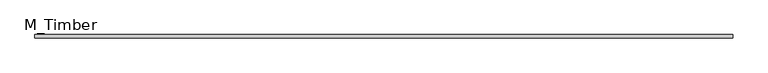
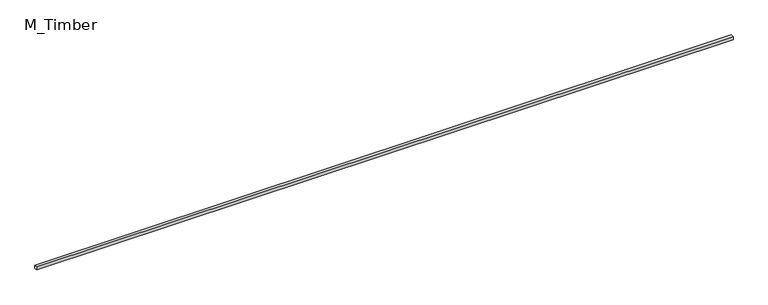
"""IFC4 building model written with IfcOpenShell, lengths in millimetres: beam geometry, M_Timber."""

import ifcopenshell
import ifcopenshell.guid

model = None  # the IFC model being written
_history = None  # IfcOwnerHistory: only IFC2X3 demands one
_inside = {}  # id of a spatial element -> (the spatial element, [elements in it])
_under = {}  # id of a project, library or spatial element -> (it, [spatial elements below it])
_declared = {}  # id of a project -> (the project, [libraries it declares])
_typed = {}  # id of a type object -> (the type object, [elements of that type])
_made_of = {}  # id of a material, layer set ... -> (it, [elements and type objects made of it])


def new_model(schema):
    """Start an empty IFC model of exactly this schema.

    Asked for "IFC4X3", IfcOpenShell would pick the latest addendum, in which some entities
    have other attributes; the version numbers below select the first issue.
    IFC2X3 requires an IfcOwnerHistory on every rooted entity: one is made here for all.
    """
    global model, _history
    if schema == "IFC4X3":
        model = ifcopenshell.file(schema_version=(4, 3, 0, 0))
    else:
        model = ifcopenshell.file(schema=schema)
    _inside.clear()
    _under.clear()
    _declared.clear()
    _typed.clear()
    _made_of.clear()
    _history = None
    if model.schema == "IFC2X3":
        org = make("IfcOrganization", Name="unknown")
        user = make(
            "IfcPersonAndOrganization",
            ThePerson=make("IfcPerson", FamilyName="unknown"),
            TheOrganization=org,
        )
        app = make(
            "IfcApplication",
            ApplicationDeveloper=org,
            Version="unknown",
            ApplicationFullName="unknown",
            ApplicationIdentifier="unknown",
        )
        _history = make(
            "IfcOwnerHistory",
            OwningUser=user,
            OwningApplication=app,
            ChangeAction="ADDED",
            CreationDate=0,
        )
    return model


def make(cls, **values):
    """One entity of the class cls with the attributes given. An attribute that is None is left unset."""
    return model.create_entity(
        cls, **{name: value for name, value in values.items() if value is not None}
    )


def rooted(cls, **values):
    """An entity with a GlobalId (a new one), such as an element, a storey or a relation."""
    return make(cls, GlobalId=ifcopenshell.guid.new(), OwnerHistory=_history, **values)


def si_unit(unit_type, name, prefix=None):
    """IfcSIUnit, for example si_unit("LENGTHUNIT", "METRE", prefix="MILLI")."""
    return make("IfcSIUnit", UnitType=unit_type, Prefix=prefix, Name=name)


def assignment(units):
    """IfcUnitAssignment: the units of a project."""
    return None if units is None else make("IfcUnitAssignment", Units=units)


def point(xyz):
    """IfcCartesianPoint."""
    return None if xyz is None else make("IfcCartesianPoint", Coordinates=xyz)


def direction(xyz):
    """IfcDirection."""
    return None if xyz is None else make("IfcDirection", DirectionRatios=xyz)


def frame(location, z_axis=None, x_axis=None):
    """IfcAxis2Placement3D, a coordinate frame: its origin and axes. An axis left out is left unset."""
    return make(
        "IfcAxis2Placement3D",
        Location=point(location),
        Axis=direction(z_axis),
        RefDirection=direction(x_axis),
    )


def origin():
    """The frame at (0, 0, 0) with its axes left unset."""
    return frame((0.0, 0.0, 0.0))


def place(relative_to, where):
    """IfcLocalPlacement: puts the frame where relative to a parent placement (None: the world)."""
    return make(
        "IfcLocalPlacement", PlacementRelTo=relative_to, RelativePlacement=where
    )


def context(
    kind, dimensions, precision=None, world=None, true_north=None, identifier=None
):
    """IfcGeometricRepresentationContext, for example the 3D "Model" context."""
    return make(
        "IfcGeometricRepresentationContext",
        ContextIdentifier=identifier,
        ContextType=kind,
        CoordinateSpaceDimension=dimensions,
        Precision=precision,
        WorldCoordinateSystem=world,
        TrueNorth=true_north,
    )


def project(units=None, contexts=None):
    """IfcProject with its units and contexts."""
    return rooted(
        "IfcProject",
        Name="project",
        RepresentationContexts=contexts,
        UnitsInContext=assignment(units),
    )


def spatial(cls, under=None, at=None, **own):
    """A site, building, storey or space (cls), placed at a placement, below another one or the project."""
    s = rooted(cls, ObjectPlacement=at, **own)
    if under is not None:
        _under.setdefault(under.id(), (under, []))[1].append(s)
    return s


def polyline(points):
    """IfcPolyline through the points."""
    return make("IfcPolyline", Points=[point(p) for p in points])


def outline(outer, holes=None, kind="AREA"):
    """IfcArbitraryClosedProfileDef: a profile drawn as a closed curve; with holes, ...WithVoids."""
    if holes is None:
        return make("IfcArbitraryClosedProfileDef", ProfileType=kind, OuterCurve=outer)
    return make(
        "IfcArbitraryProfileDefWithVoids",
        ProfileType=kind,
        OuterCurve=outer,
        InnerCurves=holes,
    )


def extrude(swept, where, along, depth):
    """IfcExtrudedAreaSolid: the profile swept, set in the frame where, extruded along a direction by depth."""
    return make(
        "IfcExtrudedAreaSolid",
        SweptArea=swept,
        Position=where,
        ExtrudedDirection=direction(along),
        Depth=depth,
    )


def shape(context_of_items, identifier, shape_type, items):
    """IfcShapeRepresentation: the items that make up one representation, for example the "Body"."""
    return make(
        "IfcShapeRepresentation",
        ContextOfItems=context_of_items,
        RepresentationIdentifier=identifier,
        RepresentationType=shape_type,
        Items=items,
    )


def source(mapping_origin, context_of_items, identifier, shape_type, items):
    """IfcRepresentationMap: a shape defined once, which mapped items show again and again."""
    return make(
        "IfcRepresentationMap",
        MappingOrigin=mapping_origin,
        MappedRepresentation=shape(context_of_items, identifier, shape_type, items),
    )


def transform(
    local_origin,
    x_axis=None,
    y_axis=None,
    z_axis=None,
    scale=None,
    scale2=None,
    scale3=None,
    uniform=True,
):
    """IfcCartesianTransformationOperator3D, or its non-uniform kind. x_axis, y_axis, z_axis: its Axis1, 2, 3."""
    if uniform:
        return make(
            "IfcCartesianTransformationOperator3D",
            Axis1=direction(x_axis),
            Axis2=direction(y_axis),
            LocalOrigin=point(local_origin),
            Scale=scale,
            Axis3=direction(z_axis),
        )
    return make(
        "IfcCartesianTransformationOperator3DnonUniform",
        Axis1=direction(x_axis),
        Axis2=direction(y_axis),
        LocalOrigin=point(local_origin),
        Scale=scale,
        Axis3=direction(z_axis),
        Scale2=scale2,
        Scale3=scale3,
    )


def mapped(mapping_source, mapping_target):
    """IfcMappedItem: shows the shape of a source again, moved by a transform."""
    return make(
        "IfcMappedItem", MappingSource=mapping_source, MappingTarget=mapping_target
    )


def made_of(thing, what):
    """Note that an element or type object is made of a material, layer set ...; save() writes the relation."""
    if what is not None:
        _made_of.setdefault(what.id(), (what, []))[1].append(thing)
    return thing


def element(
    cls,
    number,
    at=None,
    inside=None,
    cuts=None,
    type_object=None,
    material=None,
    context=None,
    identifier="Body",
    shape_type=None,
    held_by="IfcProductDefinitionShape",
    body=None,
    shapes=None,
    **own,
):
    """One element of the class cls, such as IfcWall. Its Tag is "e" and its number.

    at: its placement. inside: the storey or other place that contains it. cuts: it is an
    opening in that element (IfcRelVoidsElement). A single representation is given by context,
    identifier, shape_type and body (its items); several are given by shapes. held_by: the class
    of the entity that holds the representations. save() writes the other relations.
    """
    e = rooted(cls, Tag="e%d" % number, ObjectPlacement=at, **own)
    if body is not None:
        shapes = [shape(context, identifier, shape_type, body)]
    if shapes is not None:
        e.Representation = make(held_by, Representations=shapes)
    if inside is not None:
        _inside.setdefault(inside.id(), (inside, []))[1].append(e)
    if cuts is not None:
        rooted(
            "IfcRelVoidsElement", RelatingBuildingElement=cuts, RelatedOpeningElement=e
        )
    if type_object is not None:
        _typed.setdefault(type_object.id(), (type_object, []))[1].append(e)
    return made_of(e, material)


def aggregate(whole, parts):
    """IfcRelAggregates: a whole, such as a stair, and the parts it consists of."""
    return rooted("IfcRelAggregates", RelatingObject=whole, RelatedObjects=parts)


def save(model, path):
    """Write the relations noted so far, then the file.

    IfcRelAggregates (storeys below a building ...), IfcRelContainedInSpatialStructure (elements
    in a storey), IfcRelDefinesByType, IfcRelAssociatesMaterial and IfcRelDeclares: one each for
    every whole, place, type object, material and project.
    """
    for whole, parts in _under.values():
        aggregate(whole, parts)
    for where, things in _inside.values():
        rooted(
            "IfcRelContainedInSpatialStructure",
            RelatedElements=things,
            RelatingStructure=where,
        )
    for kind, things in _typed.values():
        rooted("IfcRelDefinesByType", RelatedObjects=things, RelatingType=kind)
    for what, things in _made_of.values():
        rooted("IfcRelAssociatesMaterial", RelatedObjects=things, RelatingMaterial=what)
    for by, libraries in _declared.values():
        rooted("IfcRelDeclares", RelatingContext=by, RelatedDefinitions=libraries)
    model.write(path)


def m_timber_4510f656(model_context):
    return source(origin(), model_context, "Body", "SweptSolid", [
        extrude(outline(polyline([(4374.2366918, 20.0), (4374.2366918, -20.0), (-4374.2366918, -20.0), (-4374.2366918, 20.0), (4374.2366918, 20.0)])), frame((0.0, 0.0, -20.0), z_axis=(0.0, 0.0, 1.0), x_axis=(1.0, 0.0, 0.0)), (0.0, 0.0, 1.0), 40.0),
    ])


if __name__ == "__main__":
    model = new_model("IFC4")
    model_context = context("Model", 3, world=origin())
    ifc_project = project(units=[si_unit("LENGTHUNIT", "METRE", prefix="MILLI")], contexts=[model_context])
    site = spatial("IfcSite", under=ifc_project)
    building = spatial("IfcBuilding", under=site)
    placement = place(None, origin())
    m_timber_shape = m_timber_4510f656(model_context)
    element("IfcBeam", 1, ObjectType="M_Timber", at=placement, inside=building, context=model_context, shape_type="MappedRepresentation", body=[
        mapped(m_timber_shape, transform((0.0, 0.0, 0.0), x_axis=(1.0, 0.0, 0.0), y_axis=(0.0, 1.0, 0.0), z_axis=(0.0, 0.0, 1.0))),
    ])
    save(model, "model.ifc")
